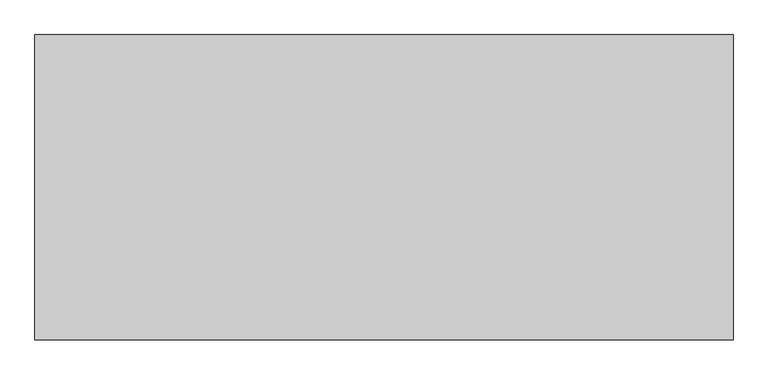
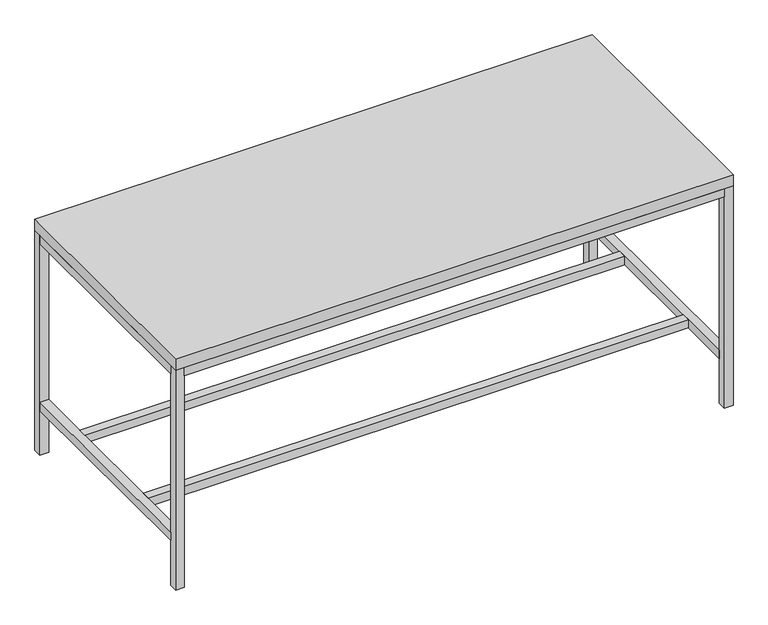
"""IFC4 building model written with IfcOpenShell, lengths in millimetres: furniture geometry."""

import ifcopenshell
import ifcopenshell.guid

model = None  # the IFC model being written
_history = None  # IfcOwnerHistory: only IFC2X3 demands one
_inside = {}  # id of a spatial element -> (the spatial element, [elements in it])
_under = {}  # id of a project, library or spatial element -> (it, [spatial elements below it])
_declared = {}  # id of a project -> (the project, [libraries it declares])
_typed = {}  # id of a type object -> (the type object, [elements of that type])
_made_of = {}  # id of a material, layer set ... -> (it, [elements and type objects made of it])


def new_model(schema):
    """Start an empty IFC model of exactly this schema.

    Asked for "IFC4X3", IfcOpenShell would pick the latest addendum, in which some entities
    have other attributes; the version numbers below select the first issue.
    IFC2X3 requires an IfcOwnerHistory on every rooted entity: one is made here for all.
    """
    global model, _history
    if schema == "IFC4X3":
        model = ifcopenshell.file(schema_version=(4, 3, 0, 0))
    else:
        model = ifcopenshell.file(schema=schema)
    _inside.clear()
    _under.clear()
    _declared.clear()
    _typed.clear()
    _made_of.clear()
    _history = None
    if model.schema == "IFC2X3":
        org = make("IfcOrganization", Name="unknown")
        user = make(
            "IfcPersonAndOrganization",
            ThePerson=make("IfcPerson", FamilyName="unknown"),
            TheOrganization=org,
        )
        app = make(
            "IfcApplication",
            ApplicationDeveloper=org,
            Version="unknown",
            ApplicationFullName="unknown",
            ApplicationIdentifier="unknown",
        )
        _history = make(
            "IfcOwnerHistory",
            OwningUser=user,
            OwningApplication=app,
            ChangeAction="ADDED",
            CreationDate=0,
        )
    return model


def make(cls, **values):
    """One entity of the class cls with the attributes given. An attribute that is None is left unset."""
    return model.create_entity(
        cls, **{name: value for name, value in values.items() if value is not None}
    )


def rooted(cls, **values):
    """An entity with a GlobalId (a new one), such as an element, a storey or a relation."""
    return make(cls, GlobalId=ifcopenshell.guid.new(), OwnerHistory=_history, **values)


def si_unit(unit_type, name, prefix=None):
    """IfcSIUnit, for example si_unit("LENGTHUNIT", "METRE", prefix="MILLI")."""
    return make("IfcSIUnit", UnitType=unit_type, Prefix=prefix, Name=name)


def assignment(units):
    """IfcUnitAssignment: the units of a project."""
    return None if units is None else make("IfcUnitAssignment", Units=units)


def point(xyz):
    """IfcCartesianPoint."""
    return None if xyz is None else make("IfcCartesianPoint", Coordinates=xyz)


def direction(xyz):
    """IfcDirection."""
    return None if xyz is None else make("IfcDirection", DirectionRatios=xyz)


def frame(location, z_axis=None, x_axis=None):
    """IfcAxis2Placement3D, a coordinate frame: its origin and axes. An axis left out is left unset."""
    return make(
        "IfcAxis2Placement3D",
        Location=point(location),
        Axis=direction(z_axis),
        RefDirection=direction(x_axis),
    )


def origin():
    """The frame at (0, 0, 0) with its axes left unset."""
    return frame((0.0, 0.0, 0.0))


def origin_with_axes():
    """The frame at (0, 0, 0) with the z axis (0, 0, 1) and the x axis (1, 0, 0) written out."""
    return frame((0.0, 0.0, 0.0), z_axis=(0.0, 0.0, 1.0), x_axis=(1.0, 0.0, 0.0))


def place(relative_to, where):
    """IfcLocalPlacement: puts the frame where relative to a parent placement (None: the world)."""
    return make(
        "IfcLocalPlacement", PlacementRelTo=relative_to, RelativePlacement=where
    )


def context(
    kind, dimensions, precision=None, world=None, true_north=None, identifier=None
):
    """IfcGeometricRepresentationContext, for example the 3D "Model" context."""
    return make(
        "IfcGeometricRepresentationContext",
        ContextIdentifier=identifier,
        ContextType=kind,
        CoordinateSpaceDimension=dimensions,
        Precision=precision,
        WorldCoordinateSystem=world,
        TrueNorth=true_north,
    )


def project(units=None, contexts=None):
    """IfcProject with its units and contexts."""
    return rooted(
        "IfcProject",
        Name="project",
        RepresentationContexts=contexts,
        UnitsInContext=assignment(units),
    )


def spatial(cls, under=None, at=None, **own):
    """A site, building, storey or space (cls), placed at a placement, below another one or the project."""
    s = rooted(cls, ObjectPlacement=at, **own)
    if under is not None:
        _under.setdefault(under.id(), (under, []))[1].append(s)
    return s


def polyline(points):
    """IfcPolyline through the points."""
    return make("IfcPolyline", Points=[point(p) for p in points])


def outline(outer, holes=None, kind="AREA"):
    """IfcArbitraryClosedProfileDef: a profile drawn as a closed curve; with holes, ...WithVoids."""
    if holes is None:
        return make("IfcArbitraryClosedProfileDef", ProfileType=kind, OuterCurve=outer)
    return make(
        "IfcArbitraryProfileDefWithVoids",
        ProfileType=kind,
        OuterCurve=outer,
        InnerCurves=holes,
    )


def extrude(swept, where, along, depth):
    """IfcExtrudedAreaSolid: the profile swept, set in the frame where, extruded along a direction by depth."""
    return make(
        "IfcExtrudedAreaSolid",
        SweptArea=swept,
        Position=where,
        ExtrudedDirection=direction(along),
        Depth=depth,
    )


def shape(context_of_items, identifier, shape_type, items):
    """IfcShapeRepresentation: the items that make up one representation, for example the "Body"."""
    return make(
        "IfcShapeRepresentation",
        ContextOfItems=context_of_items,
        RepresentationIdentifier=identifier,
        RepresentationType=shape_type,
        Items=items,
    )


def source(mapping_origin, context_of_items, identifier, shape_type, items):
    """IfcRepresentationMap: a shape defined once, which mapped items show again and again."""
    return make(
        "IfcRepresentationMap",
        MappingOrigin=mapping_origin,
        MappedRepresentation=shape(context_of_items, identifier, shape_type, items),
    )


def transform(
    local_origin,
    x_axis=None,
    y_axis=None,
    z_axis=None,
    scale=None,
    scale2=None,
    scale3=None,
    uniform=True,
):
    """IfcCartesianTransformationOperator3D, or its non-uniform kind. x_axis, y_axis, z_axis: its Axis1, 2, 3."""
    if uniform:
        return make(
            "IfcCartesianTransformationOperator3D",
            Axis1=direction(x_axis),
            Axis2=direction(y_axis),
            LocalOrigin=point(local_origin),
            Scale=scale,
            Axis3=direction(z_axis),
        )
    return make(
        "IfcCartesianTransformationOperator3DnonUniform",
        Axis1=direction(x_axis),
        Axis2=direction(y_axis),
        LocalOrigin=point(local_origin),
        Scale=scale,
        Axis3=direction(z_axis),
        Scale2=scale2,
        Scale3=scale3,
    )


def mapped(mapping_source, mapping_target):
    """IfcMappedItem: shows the shape of a source again, moved by a transform."""
    return make(
        "IfcMappedItem", MappingSource=mapping_source, MappingTarget=mapping_target
    )


def made_of(thing, what):
    """Note that an element or type object is made of a material, layer set ...; save() writes the relation."""
    if what is not None:
        _made_of.setdefault(what.id(), (what, []))[1].append(thing)
    return thing


def element(
    cls,
    number,
    at=None,
    inside=None,
    cuts=None,
    type_object=None,
    material=None,
    context=None,
    identifier="Body",
    shape_type=None,
    held_by="IfcProductDefinitionShape",
    body=None,
    shapes=None,
    **own,
):
    """One element of the class cls, such as IfcWall. Its Tag is "e" and its number.

    at: its placement. inside: the storey or other place that contains it. cuts: it is an
    opening in that element (IfcRelVoidsElement). A single representation is given by context,
    identifier, shape_type and body (its items); several are given by shapes. held_by: the class
    of the entity that holds the representations. save() writes the other relations.
    """
    e = rooted(cls, Tag="e%d" % number, ObjectPlacement=at, **own)
    if body is not None:
        shapes = [shape(context, identifier, shape_type, body)]
    if shapes is not None:
        e.Representation = make(held_by, Representations=shapes)
    if inside is not None:
        _inside.setdefault(inside.id(), (inside, []))[1].append(e)
    if cuts is not None:
        rooted(
            "IfcRelVoidsElement", RelatingBuildingElement=cuts, RelatedOpeningElement=e
        )
    if type_object is not None:
        _typed.setdefault(type_object.id(), (type_object, []))[1].append(e)
    return made_of(e, material)


def aggregate(whole, parts):
    """IfcRelAggregates: a whole, such as a stair, and the parts it consists of."""
    return rooted("IfcRelAggregates", RelatingObject=whole, RelatedObjects=parts)


def save(model, path):
    """Write the relations noted so far, then the file.

    IfcRelAggregates (storeys below a building ...), IfcRelContainedInSpatialStructure (elements
    in a storey), IfcRelDefinesByType, IfcRelAssociatesMaterial and IfcRelDeclares: one each for
    every whole, place, type object, material and project.
    """
    for whole, parts in _under.values():
        aggregate(whole, parts)
    for where, things in _inside.values():
        rooted(
            "IfcRelContainedInSpatialStructure",
            RelatedElements=things,
            RelatingStructure=where,
        )
    for kind, things in _typed.values():
        rooted("IfcRelDefinesByType", RelatedObjects=things, RelatingType=kind)
    for what, things in _made_of.values():
        rooted("IfcRelAssociatesMaterial", RelatedObjects=things, RelatingMaterial=what)
    for by, libraries in _declared.values():
        rooted("IfcRelDeclares", RelatingContext=by, RelatedDefinitions=libraries)
    model.write(path)


def furniture_dc2585ff(model_context):
    return source(origin(), model_context, "Body", "SweptSolid", [
        extrude(outline(polyline([(7251.7, -597.9973297), (4813.3, -597.9973297), (4813.3, 468.8026703), (7251.7, 468.8026703), (7251.7, -597.9973297)])), frame((0.0, 0.0, 1016.0), z_axis=(0.0, 0.0, 1.0), x_axis=(1.0, 0.0, 0.0)), (0.0, 0.0, 1.0), 50.8),
        extrude(outline(polyline([(7213.6, -324.9473297), (4851.4, -324.9473297), (4851.4, -286.8473297), (7213.6, -286.8473297), (7213.6, -324.9473297)])), frame((0.0, 0.0, 206.375), z_axis=(0.0, 0.0, 1.0), x_axis=(1.0, 0.0, 0.0)), (0.0, 0.0, 1.0), 38.1),
        extrude(outline(polyline([(7213.6, 157.6527578), (4851.4, 157.6527578), (4851.4, 195.7527578), (7213.6, 195.7527578), (7213.6, 157.6527578)])), frame((0.0, 0.0, 206.375), z_axis=(0.0, 0.0, 1.0), x_axis=(1.0, 0.0, 0.0)), (0.0, 0.0, 1.0), 38.1),
        extrude(outline(polyline([(7213.6, -559.8973297), (7213.6, -597.9973297), (4851.4, -597.9973297), (4851.4, -559.8973297), (7213.6, -559.8973297)])), frame((0.0, 0.0, 977.9), z_axis=(0.0, 0.0, 1.0), x_axis=(1.0, 0.0, 0.0)), (0.0, 0.0, 1.0), 38.1),
        extrude(outline(polyline([(4851.4, 468.8026703), (7213.6, 468.8026703), (7213.6, 430.7027578), (4851.4, 430.7027578), (4851.4, 468.8026703)])), frame((0.0, 0.0, 977.9), z_axis=(0.0, 0.0, 1.0), x_axis=(1.0, 0.0, 0.0)), (0.0, 0.0, 1.0), 38.1),
        extrude(outline(polyline([(7213.6, 430.7027578), (7251.7, 430.7027578), (7251.7, -559.8973297), (7213.6, -559.8973297), (7213.6, 430.7027578)])), frame((0.0, 0.0, 977.9), z_axis=(0.0, 0.0, 1.0), x_axis=(1.0, 0.0, 0.0)), (0.0, 0.0, 1.0), 38.1),
        extrude(outline(polyline([(7213.6, 430.7027578), (7251.7, 430.7027578), (7251.7, -559.8973297), (7213.6, -559.8973297), (7213.6, 430.7027578)])), frame((0.0, 0.0, 206.375), z_axis=(0.0, 0.0, 1.0), x_axis=(1.0, 0.0, 0.0)), (0.0, 0.0, 1.0), 38.1),
        extrude(outline(polyline([(4813.3, 430.7027578), (4851.4, 430.7027578), (4851.4, -559.8973297), (4813.3, -559.8973297), (4813.3, 430.7027578)])), frame((0.0, 0.0, 206.375), z_axis=(0.0, 0.0, 1.0), x_axis=(1.0, 0.0, 0.0)), (0.0, 0.0, 1.0), 38.1),
        extrude(outline(polyline([(4813.3, 430.7027578), (4851.4, 430.7027578), (4851.4, -559.8973297), (4813.3, -559.8973297), (4813.3, 430.7027578)])), frame((0.0, 0.0, 977.9), z_axis=(0.0, 0.0, 1.0), x_axis=(1.0, 0.0, 0.0)), (0.0, 0.0, 1.0), 38.1),
        extrude(outline(polyline([(7251.7, -597.9973297), (7213.6, -597.9973297), (7213.6, -559.8973297), (7251.7, -559.8973297), (7251.7, -597.9973297)])), origin_with_axes(), (0.0, 0.0, 1.0), 1016.0),
        extrude(outline(polyline([(7251.7, 430.7027578), (7213.6, 430.7027578), (7213.6, 468.8026703), (7251.7, 468.8026703), (7251.7, 430.7027578)])), origin_with_axes(), (0.0, 0.0, 1.0), 1016.0),
        extrude(outline(polyline([(4851.4, 430.7027578), (4813.3, 430.7027578), (4813.3, 468.8026703), (4851.4, 468.8026703), (4851.4, 430.7027578)])), origin_with_axes(), (0.0, 0.0, 1.0), 1016.0),
        extrude(outline(polyline([(4851.4, -597.9973297), (4813.3, -597.9973297), (4813.3, -559.8973297), (4851.4, -559.8973297), (4851.4, -597.9973297)])), origin_with_axes(), (0.0, 0.0, 1.0), 1016.0),
    ])


if __name__ == "__main__":
    model = new_model("IFC4")
    model_context = context("Model", 3, world=origin())
    ifc_project = project(units=[si_unit("LENGTHUNIT", "METRE", prefix="MILLI")], contexts=[model_context])
    site = spatial("IfcSite", under=ifc_project)
    building = spatial("IfcBuilding", under=site)
    placement = place(None, origin())
    furniture_shape = furniture_dc2585ff(model_context)
    element("IfcFurniture", 1, at=placement, inside=building, context=model_context, shape_type="MappedRepresentation", body=[
        mapped(furniture_shape, transform((0.0, 0.0, 0.0), x_axis=(1.0, 0.0, 0.0), y_axis=(0.0, 1.0, 0.0), z_axis=(0.0, 0.0, 1.0))),
    ])
    save(model, "model.ifc")
